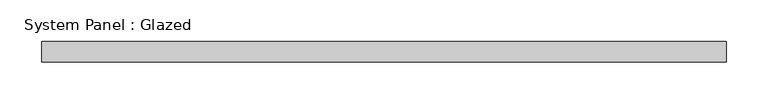
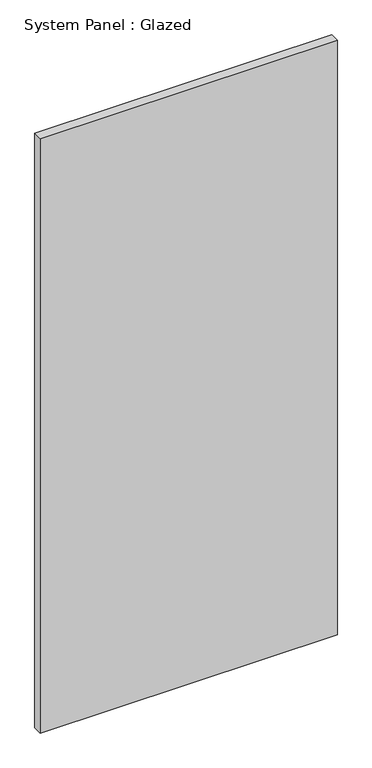
"""IFC4 building model written with IfcOpenShell, lengths in millimetres: plate geometry, System Panel : Glazed."""

from ifc_helpers import new_model, si_unit, origin, origin_with_axes, place, context, project, spatial, polyline, outline, extrude, source, transform, mapped, element, save


def system_panel_glazed_8c92e3d8(model_context):
    return source(origin(), model_context, "Body", "SweptSolid", [
        extrude(outline(polyline([(412.5, -49.5), (-412.5, -49.5), (-412.5, -24.5), (412.5, -24.5), (412.5, -49.5)])), origin_with_axes(), (0.0, 0.0, 1.0), 1743.3333333),
    ])


if __name__ == "__main__":
    model = new_model("IFC4")
    model_context = context("Model", 3, world=origin())
    ifc_project = project(units=[si_unit("LENGTHUNIT", "METRE", prefix="MILLI")], contexts=[model_context])
    site = spatial("IfcSite", under=ifc_project)
    building = spatial("IfcBuilding", under=site)
    placement = place(None, origin())
    system_panel_glazed_shape = system_panel_glazed_8c92e3d8(model_context)
    element("IfcPlate", 1, ObjectType="System Panel : Glazed", at=placement, inside=building, context=model_context, shape_type="MappedRepresentation", body=[
        mapped(system_panel_glazed_shape, transform((0.0, 0.0, 0.0), x_axis=(1.0, 0.0, 0.0), y_axis=(0.0, 1.0, 0.0), z_axis=(0.0, 0.0, 1.0))),
    ])
    save(model, "model.ifc")
